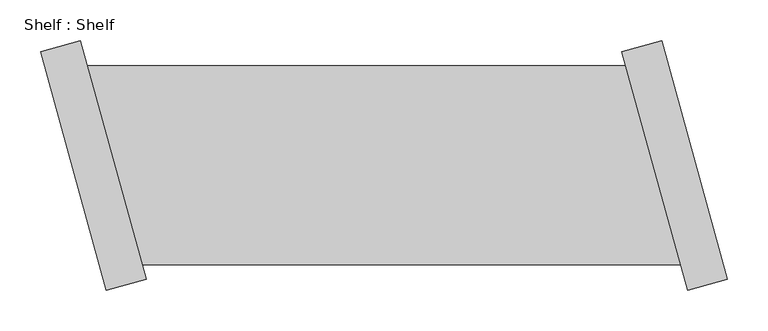
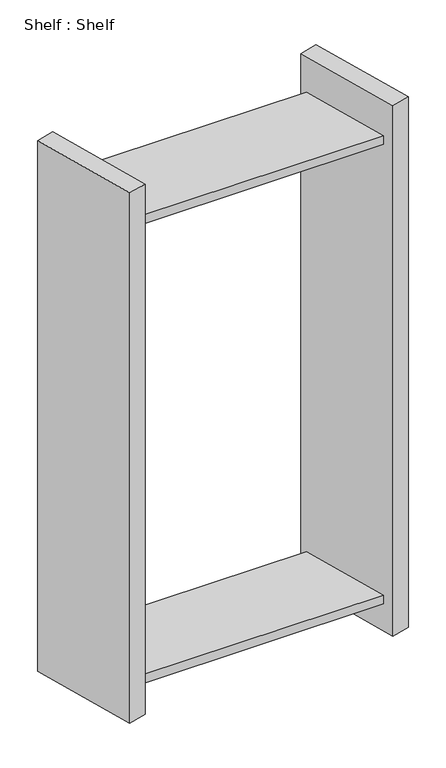
"""IFC4 building model written with IfcOpenShell, lengths in millimetres: proxy geometry, Shelf : Shelf."""

from ifc_helpers import new_model, si_unit, origin, place, context, project, spatial, faceted_brep, source, transform, mapped, element, save


def shelf_shelf_91e6f37e(model_context):
    return source(origin(), model_context, "Body", "Brep", [
        faceted_brep([(-455.8735443, 122.4506328, 1422.4), (-455.8735443, 122.4506328, 1397.0), (-1119.2829869, 122.4506328, 1397.0), (-1119.2829869, 122.4506328, 1422.4), (-388.4986968, -122.4506328, 1397.0), (-1051.9081394, -122.4506328, 1397.0), (-388.4986968, -122.4506328, 1422.4), (-1051.9081394, -122.4506328, 1422.4), (-411.7772248, 153.6782441, 0.0), (-330.9274078, -140.2032747, 0.0), (-379.907661, -153.6782441, 0.0), (-460.757478, 140.2032747, 0.0), (-330.9274078, -140.2032747, 1524.0), (-379.907661, -153.6782441, 1524.0), (-411.7772248, 153.6782441, 1524.0), (-460.757478, 140.2032747, 1524.0), (-388.4986968, -122.4506328, 76.2), (-455.8735443, 122.4506328, 76.2), (-455.8735443, 122.4506328, 101.6), (-388.4986968, -122.4506328, 101.6), (-1051.9081394, -122.4506328, 76.2), (-1119.2829869, 122.4506328, 76.2), (-1051.9081394, -122.4506328, 101.6), (-1119.2829869, 122.4506328, 101.6), (-1096.0044589, -153.6782441, 0.0), (-1176.8542759, 140.2032747, 0.0), (-1127.8740228, 153.6782441, 0.0), (-1047.0242058, -140.2032747, 0.0), (-1047.0242058, -140.2032747, 1524.0), (-1096.0044589, -153.6782441, 1524.0), (-1127.8740228, 153.6782441, 1524.0), (-1176.8542759, 140.2032747, 1524.0)], [[[0, 1, 2, 3]], [[1, 4, 5, 2]], [[4, 6, 7, 5]], [[6, 0, 3, 7]], [[8, 9, 10, 11]], [[10, 9, 12, 13]], [[13, 12, 14, 15]], [[8, 11, 15, 14]], [[11, 10, 13, 15], [1, 0, 6, 4], [16, 17, 18, 19]], [[9, 8, 14, 12]], [[17, 16, 20, 21]], [[16, 19, 22, 20]], [[19, 18, 23, 22]], [[18, 17, 21, 23]], [[24, 25, 26, 27]], [[24, 27, 28, 29]], [[29, 28, 30, 31]], [[26, 25, 31, 30]], [[27, 26, 30, 28], [3, 2, 5, 7], [21, 20, 22, 23]], [[25, 24, 29, 31]]]),
    ])


if __name__ == "__main__":
    model = new_model("IFC4")
    model_context = context("Model", 3, world=origin())
    ifc_project = project(units=[si_unit("LENGTHUNIT", "METRE", prefix="MILLI")], contexts=[model_context])
    site = spatial("IfcSite", under=ifc_project)
    building = spatial("IfcBuilding", under=site)
    placement = place(None, origin())
    shelf_shelf_shape = shelf_shelf_91e6f37e(model_context)
    element("IfcBuildingElementProxy", 1, Name="Shelf : Shelf", ObjectType="Shelf : Shelf", at=placement, inside=building, context=model_context, shape_type="MappedRepresentation", body=[
        mapped(shelf_shelf_shape, transform((0.0, 0.0, 0.0), x_axis=(1.0, 0.0, 0.0), y_axis=(0.0, 1.0, 0.0), z_axis=(0.0, 0.0, 1.0))),
    ])
    save(model, "model.ifc")
